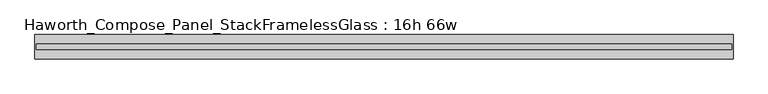
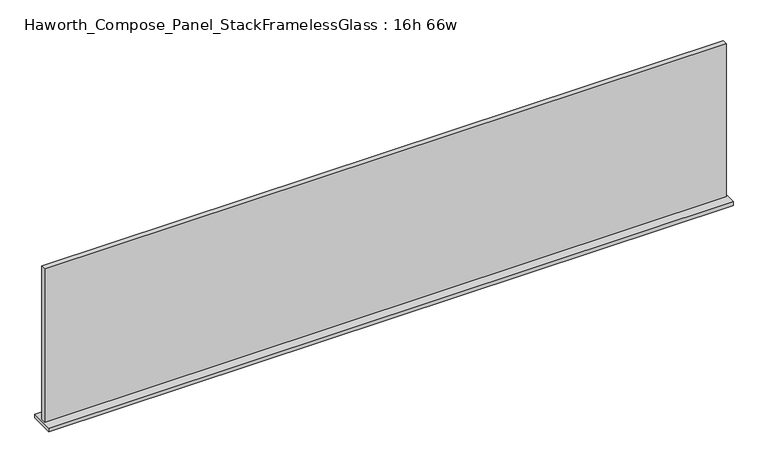
"""IFC4 building model written with IfcOpenShell, lengths in millimetres: furniture geometry, Haworth_Compose_Panel_StackFramelessGlass : 16h 66w."""

from ifc_helpers import new_model, si_unit, frame, origin, place, context, project, spatial, polyline, outline, extrude, source, transform, mapped, element, save


def haworth_compose_panel_stackframelessglass_16h_66w_688daa4a(model_context):
    return source(origin(), model_context, "Body", "SweptSolid", [
        extrude(outline(polyline([(837.4652902, -27.3093594), (-832.5847098, -27.3093594), (-832.5847098, -14.6093594), (837.4652902, -14.6093594), (837.4652902, -27.3093594)])), frame((0.0, 0.0, 1279.525), z_axis=(0.0, 0.0, 1.0), x_axis=(1.0, 0.0, 0.0)), (0.0, 0.0, 1.0), 396.875),
        extrude(outline(polyline([(-835.7597098, -50.3281094), (-835.7597098, 8.4093906), (840.6402902, 8.4093906), (840.6402902, -50.3281094), (-835.7597098, -50.3281094)])), frame((0.0, 0.0, 1270.0), z_axis=(0.0, 0.0, 1.0), x_axis=(1.0, 0.0, 0.0)), (0.0, 0.0, 1.0), 9.525),
    ])


if __name__ == "__main__":
    model = new_model("IFC4")
    model_context = context("Model", 3, world=origin())
    ifc_project = project(units=[si_unit("LENGTHUNIT", "METRE", prefix="MILLI")], contexts=[model_context])
    site = spatial("IfcSite", under=ifc_project)
    building = spatial("IfcBuilding", under=site)
    placement = place(None, origin())
    haworth_compose_panel_stackframelessglass_16h_66w_shape = haworth_compose_panel_stackframelessglass_16h_66w_688daa4a(model_context)
    element("IfcFurniture", 1, ObjectType="Haworth_Compose_Panel_StackFramelessGlass : 16h 66w", at=placement, inside=building, context=model_context, shape_type="MappedRepresentation", body=[
        mapped(haworth_compose_panel_stackframelessglass_16h_66w_shape, transform((0.0, 0.0, 0.0), x_axis=(1.0, 0.0, 0.0), y_axis=(0.0, 1.0, 0.0), z_axis=(0.0, 0.0, 1.0))),
    ])
    save(model, "model.ifc")
